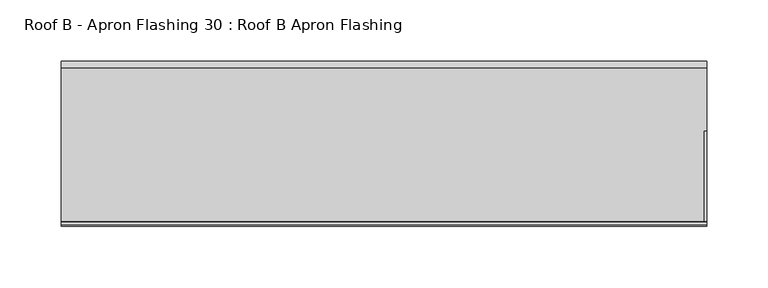
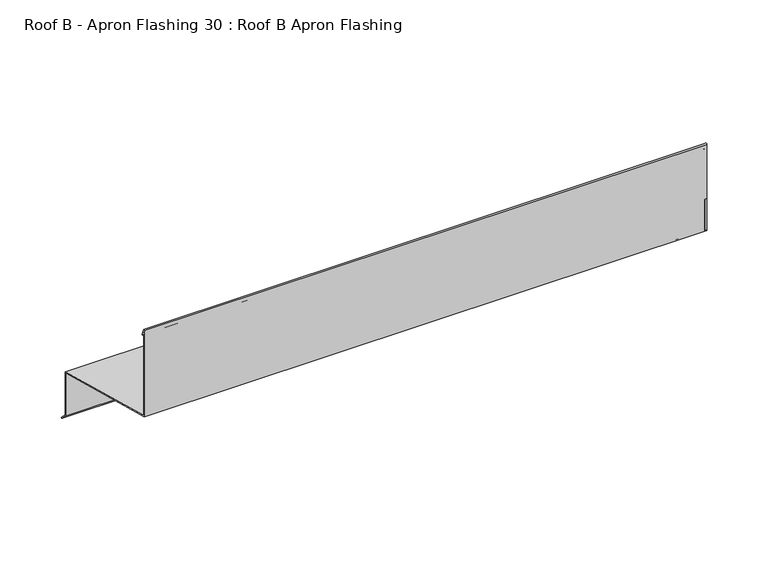
"""IFC4 building model written with IfcOpenShell, lengths in millimetres: proxy geometry, Roof B - Apron Flashing 30 : Roof B Apron Flashing."""

from ifc_helpers import new_model, si_unit, point, frame, frame_2d, origin, place, context, project, spatial, polyline, circle_curve, trimmed, segment, composite_curve, outline, extrude, source, transform, mapped, element, save


def roof_b_apron_flashing_30_roof_b_apron_flashing_2f89f439(model_context):
    return source(origin(), model_context, "Body", "SweptSolid", [
        extrude(outline(polyline([(10673.2344915, -388.7215885), (10627.9865096, -376.5974283), (10627.9865096, -333.9762204), (10673.2344915, -346.1003806), (10673.2344915, -388.7215885)])), frame((16294.3541786, 0.0, 0.0), z_axis=(1.0, 0.0, 0.0), x_axis=(0.0, 1.0, 0.0)), (0.0, 0.0, 1.0), 2.0),
        extrude(outline(polyline([(10622.9865096, -331.6011982), (10544.8615096, -310.6676676), (10544.8615096, -279.7934577), (10622.9865096, -300.7269884), (10622.9865096, -331.6011982)])), frame((16294.3541786, 0.0, 0.0), z_axis=(1.0, 0.0, 0.0), x_axis=(0.0, 1.0, 0.0)), (0.0, 0.0, 1.0), 2.0),
        extrude(outline(composite_curve([segment(polyline([(10674.2344915, -345.3330536), (10674.2344915, -388.338713), (10680.2651268, -394.3693483), (10679.55802, -395.0764551), (10673.2344915, -388.7529266), (10673.2344915, -346.1003806), (10544.8615096, -311.7029438), (10544.8615096, -225.8538686)]), True, "CONTINUOUS"), segment(trimmed(circle_curve(frame_2d((10545.5405538, -225.8538686)), 0.6790442), [point((10544.8615096, -225.8538686))], [point((10546.1701526, -225.5994942))], False, "CARTESIAN"), True, "CONTINUOUS"), segment(polyline([(10546.1701526, -225.5994942), (10548.5846074, -231.5754797)]), True, "CONTINUOUS"), segment(trimmed(circle_curve(frame_2d((10548.1210155, -231.762783)), 0.5), [point((10548.5846074, -231.5754797))], [point((10547.6574236, -231.9500863))], False, "CARTESIAN"), True, "CONTINUOUS"), segment(polyline([(10547.6574236, -231.9500863), (10545.8615096, -227.5050431), (10545.8615096, -310.9356168), (10674.2344915, -345.3330536)]), True, "CONTINUOUS")], self_intersect=False)), frame((15767.4791786, 0.0, 0.0), z_axis=(1.0, 0.0, 0.0), x_axis=(0.0, 1.0, 0.0)), (0.0, 0.0, 1.0), 528.875),
    ])


if __name__ == "__main__":
    model = new_model("IFC4")
    model_context = context("Model", 3, world=origin())
    ifc_project = project(units=[si_unit("LENGTHUNIT", "METRE", prefix="MILLI")], contexts=[model_context])
    site = spatial("IfcSite", under=ifc_project)
    building = spatial("IfcBuilding", under=site)
    placement = place(None, origin())
    roof_b_apron_flashing_30_roof_b_apron_flashing_shape = roof_b_apron_flashing_30_roof_b_apron_flashing_2f89f439(model_context)
    element("IfcBuildingElementProxy", 1, Name="Roof B - Apron Flashing 30 : Roof B Apron Flashing", ObjectType="Roof B - Apron Flashing 30 : Roof B Apron Flashing", at=placement, inside=building, context=model_context, shape_type="MappedRepresentation", body=[
        mapped(roof_b_apron_flashing_30_roof_b_apron_flashing_shape, transform((0.0, 0.0, 0.0), x_axis=(1.0, 0.0, 0.0), y_axis=(0.0, 1.0, 0.0), z_axis=(0.0, 0.0, 1.0))),
    ])
    save(model, "model.ifc")
